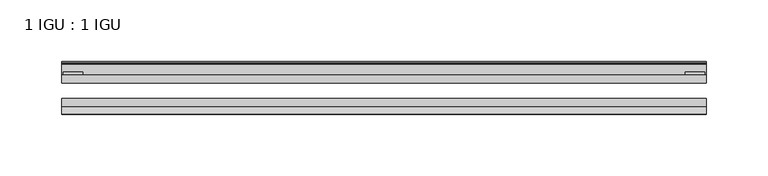
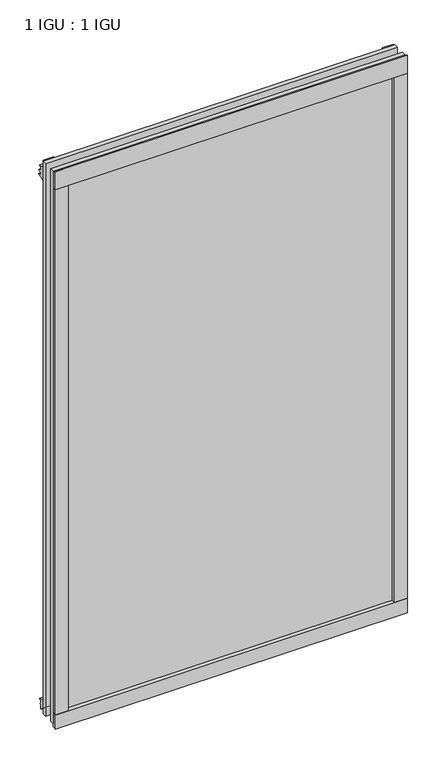
"""IFC4 building model written with IfcOpenShell, lengths in millimetres: plate geometry, 1 IGU : 1 IGU."""

from ifc_helpers import new_model, si_unit, point, frame, frame_2d, origin, place, context, project, spatial, polyline, circle_curve, trimmed, segment, composite_curve, outline, extrude, source, transform, mapped, element, save


def plate_1_igu_1_igu_f7a4ecf8(model_context):
    return source(origin(), model_context, "Body", "SweptSolid", [
        extrude(outline(polyline([(261.7568563, 0.0021347), (261.7568563, -6.2992), (-261.7568563, -6.2992), (-261.7568563, 0.0021347), (261.7568563, 0.0021347)])), frame((0.0, 0.0, -17.4498), z_axis=(0.0, 0.0, 1.0), x_axis=(1.0, 0.0, 0.0)), (0.0, 0.0, 1.0), 868.3366072),
        extrude(outline(polyline([(-261.7568563, -19.0986653), (261.7568563, -19.0986653), (261.7568563, -25.3978653), (-261.7568563, -25.3978653), (-261.7568563, -19.0986653)])), frame((0.0, 0.0, -17.4498), z_axis=(0.0, 0.0, 1.0), x_axis=(1.0, 0.0, 0.0)), (0.0, 0.0, 1.0), 868.3366072),
        extrude(outline(composite_curve([segment(polyline([(-31.75, 0.0), (-25.4, 0.0), (-25.4, -22.225)]), True, "CONTINUOUS"), segment(trimmed(circle_curve(frame_2d((-28.575, -28.9113452)), 7.4018806), [point((-25.4, -22.225))], [point((-31.75, -22.225))], True, "CARTESIAN"), True, "CONTINUOUS"), segment(polyline([(-31.75, -22.225), (-31.75, 0.0)]), True, "CONTINUOUS")], self_intersect=False)), frame((-261.7568563, 0.0, 0.0), z_axis=(1.0, 0.0, 0.0), x_axis=(0.0, 1.0, 0.0)), (0.0, 0.0, 1.0), 523.5137125),
        extrude(outline(composite_curve([segment(trimmed(circle_curve(frame_2d((13.6593785, 32.4202472)), 31.3046461), [point((0.0, 4.2528503))], [point((9.3980339, 1.406995))], True, "CARTESIAN"), True, "CONTINUOUS"), segment(polyline([(9.3980339, 1.406995), (9.3980339, 0.0254), (6.35, 0.0254), (6.35, -5.1625788), (7.7309478, -5.3970663), (6.35, -8.0073788), (6.35, -11.8471127)]), True, "CONTINUOUS"), segment(trimmed(circle_curve(frame_2d((5.334, -11.8471127)), 1.016), [point((6.35, -11.8471127))], [point((4.6284878, -12.5782136))], False, "CARTESIAN"), True, "CONTINUOUS"), segment(trimmed(circle_curve(frame_2d((-23.3689302, -41.5910901)), 40.3187601), [point((4.6284878, -12.5782136))], [point((0.0, -8.735413))], True, "CARTESIAN"), True, "CONTINUOUS"), segment(polyline([(0.0, -8.735413), (0.0, 4.2528503)]), True, "CONTINUOUS")], self_intersect=False)), frame((-261.7568563, 0.0, 0.0), z_axis=(1.0, 0.0, 0.0), x_axis=(0.0, 1.0, 0.0)), (0.0, 0.0, 1.0), 523.5137125),
        extrude(outline(composite_curve([segment(polyline([(8.509, 840.7300284), (8.509, 838.6980284), (6.35, 838.6980284), (6.35, 833.3640284), (8.9492698, 833.3640284)]), True, "CONTINUOUS"), segment(trimmed(circle_curve(frame_2d((8.208689, 831.8368072)), 1.697311), [point((8.9492698, 833.3640284))], [point((8.962411, 830.3160284))], False, "CARTESIAN"), True, "CONTINUOUS"), segment(polyline([(8.962411, 830.3160284), (6.35, 830.3160284), (6.35, 825.4868072), (11.1252, 825.4868072), (11.1252, 824.5978072)]), True, "CONTINUOUS"), segment(trimmed(circle_curve(frame_2d((10.1092, 824.5978072)), 1.016), [point((11.1252, 824.5978072))], [point((10.1092, 823.5818072))], False, "CARTESIAN"), True, "CONTINUOUS"), segment(trimmed(circle_curve(frame_2d((10.1092, 804.1707318)), 19.4110754), [point((10.1092, 823.5818072))], [point((0.0, 820.7416075))], True, "CARTESIAN"), True, "CONTINUOUS"), segment(polyline([(0.0, 820.7416075), (0.0, 840.7300284), (8.509, 840.7300284)]), True, "CONTINUOUS")], self_intersect=False)), frame((-261.7568563, 0.0, 0.0), z_axis=(1.0, 0.0, 0.0), x_axis=(0.0, 1.0, 0.0)), (0.0, 0.0, 1.0), 523.5137125),
        extrude(outline(composite_curve([segment(polyline([(-25.4, 850.8868072), (-25.4, 825.4868072), (-31.75, 825.4868072), (-31.75, 853.6597045)]), True, "CONTINUOUS"), segment(trimmed(circle_curve(frame_2d((-24.1401272, 862.4292187)), 11.6109665), [point((-31.75, 853.6597045))], [point((-25.4, 850.8868072))], True, "CARTESIAN"), True, "CONTINUOUS")], self_intersect=False)), frame((-261.7568563, 0.0, 0.0), z_axis=(1.0, 0.0, 0.0), x_axis=(0.0, 1.0, 0.0)), (0.0, 0.0, 1.0), 523.5137125),
        extrude(outline(composite_curve([segment(polyline([(242.7068563, -25.4), (261.7568563, -25.4)]), True, "CONTINUOUS"), segment(trimmed(circle_curve(frame_2d((271.223007, -28.575)), 9.9844196), [point((261.7568563, -25.4))], [point((261.7568563, -31.75))], True, "CARTESIAN"), True, "CONTINUOUS"), segment(polyline([(261.7568563, -31.75), (242.7068563, -31.75), (242.7068563, -25.4)]), True, "CONTINUOUS")], self_intersect=False)), frame((0.0, 0.0, -17.4498), z_axis=(0.0, 0.0, 1.0), x_axis=(1.0, 0.0, 0.0)), (0.0, 0.0, 1.0), 868.3366072),
        extrude(outline(polyline([(260.5503563, 2.2860088), (260.5503563, 0.0021347), (244.6753563, 0.0021347), (244.6753563, 2.2860088), (260.5503563, 2.2860088)])), frame((0.0, 0.0, -17.4498), z_axis=(0.0, 0.0, 1.0), x_axis=(1.0, 0.0, 0.0)), (0.0, 0.0, 1.0), 868.3366072),
        extrude(outline(composite_curve([segment(trimmed(circle_curve(frame_2d((-271.223007, -28.575)), 9.9844196), [point((-261.7568563, -31.75))], [point((-261.7568563, -25.4))], True, "CARTESIAN"), True, "CONTINUOUS"), segment(polyline([(-261.7568563, -25.4), (-242.7068563, -25.4), (-242.7068563, -31.75), (-261.7568563, -31.75)]), True, "CONTINUOUS")], self_intersect=False)), frame((0.0, 0.0, -17.4498), z_axis=(0.0, 0.0, 1.0), x_axis=(1.0, 0.0, 0.0)), (0.0, 0.0, 1.0), 868.3366072),
        extrude(outline(polyline([(-260.5503563, 0.0), (-260.5503563, 2.286), (-244.6753563, 2.286), (-244.6753563, 0.0), (-260.5503563, 0.0)])), frame((0.0, 0.0, -17.4498), z_axis=(0.0, 0.0, 1.0), x_axis=(1.0, 0.0, 0.0)), (0.0, 0.0, 1.0), 868.3366072),
    ])


if __name__ == "__main__":
    model = new_model("IFC4")
    model_context = context("Model", 3, world=origin())
    ifc_project = project(units=[si_unit("LENGTHUNIT", "METRE", prefix="MILLI")], contexts=[model_context])
    site = spatial("IfcSite", under=ifc_project)
    building = spatial("IfcBuilding", under=site)
    placement = place(None, origin())
    plate_1_igu_1_igu_shape = plate_1_igu_1_igu_f7a4ecf8(model_context)
    element("IfcPlate", 1, ObjectType="1 IGU : 1 IGU", at=placement, inside=building, context=model_context, shape_type="MappedRepresentation", body=[
        mapped(plate_1_igu_1_igu_shape, transform((0.0, 0.0, 0.0), x_axis=(1.0, 0.0, 0.0), y_axis=(0.0, 1.0, 0.0), z_axis=(0.0, 0.0, 1.0))),
    ])
    save(model, "model.ifc")
